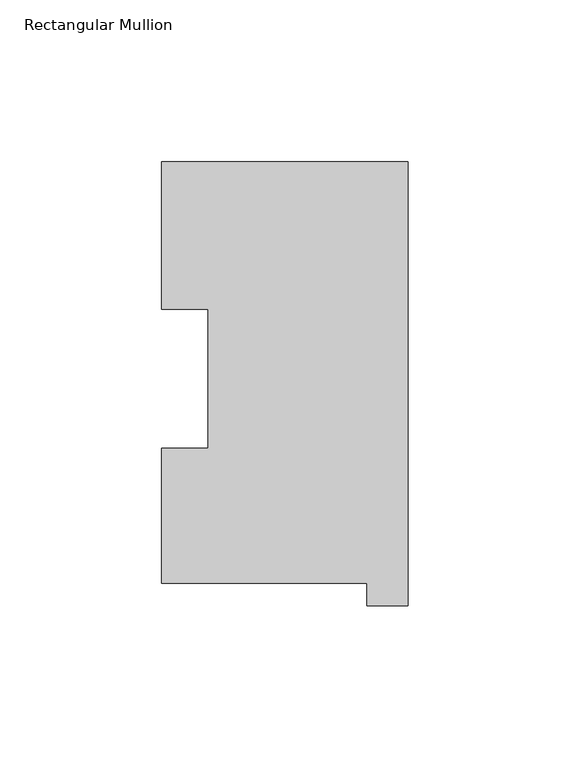
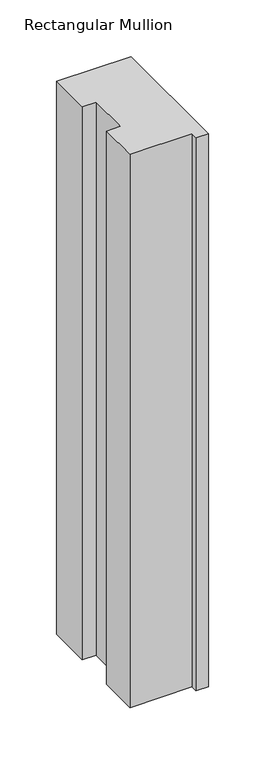
"""IFC4 building model written with IfcOpenShell, lengths in millimetres: member geometry, Rectangular Mullion."""

from ifc_helpers import new_model, si_unit, frame, origin, place, context, project, spatial, polyline, outline, extrude, source, transform, mapped, element, save


def rectangular_mullion_a7b933b2(model_context):
    return source(origin(), model_context, "Body", "SweptSolid", [
        extrude(outline(polyline([(-76.2, 130.56235), (0.0, 130.56235), (0.0, -6.64845), (-12.7, -6.64845), (-12.7, 0.26035), (-76.2, 0.26035), (-76.2, 42.0485036), (-61.9101579, 42.0485036), (-61.9101579, 84.93125), (-76.2, 84.93125), (-76.2, 130.56235)])), frame((0.0, 0.0, -596.9063827), z_axis=(0.0, 0.0, 1.0), x_axis=(1.0, 0.0, 0.0)), (0.0, 0.0, 1.0), 596.9063827),
    ])


if __name__ == "__main__":
    model = new_model("IFC4")
    model_context = context("Model", 3, world=origin())
    ifc_project = project(units=[si_unit("LENGTHUNIT", "METRE", prefix="MILLI")], contexts=[model_context])
    site = spatial("IfcSite", under=ifc_project)
    building = spatial("IfcBuilding", under=site)
    placement = place(None, origin())
    rectangular_mullion_shape = rectangular_mullion_a7b933b2(model_context)
    element("IfcMember", 1, ObjectType="Rectangular Mullion", at=placement, inside=building, context=model_context, shape_type="MappedRepresentation", body=[
        mapped(rectangular_mullion_shape, transform((0.0, 0.0, 0.0), x_axis=(1.0, 0.0, 0.0), y_axis=(0.0, 1.0, 0.0), z_axis=(0.0, 0.0, 1.0))),
    ])
    save(model, "model.ifc")
